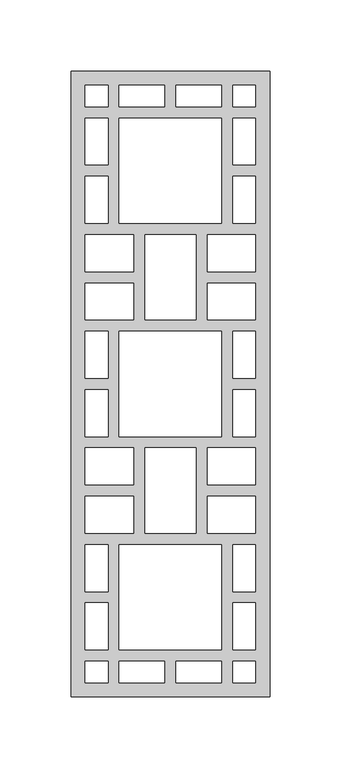
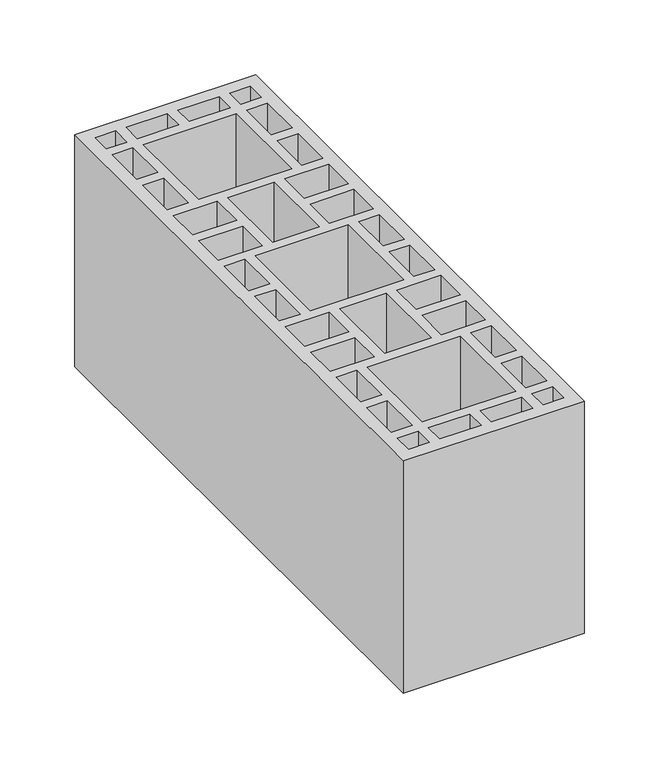
"""IFC4 building model written with IfcOpenShell, lengths in millimetres: proxy geometry."""

from ifc_helpers import new_model, si_unit, origin, origin_with_axes, place, context, project, spatial, polyline, outline, extrude, source, transform, mapped, element, save


def generic_models_60f23884(model_context):
    return source(origin(), model_context, "Body", "SweptSolid", [
        extrude(outline(polyline([(140.0, 0.0), (0.0, 0.0), (0.0, 440.0), (140.0, 440.0), (140.0, 0.0)]), holes=[polyline([(114.0, 10.0), (130.0, 10.0), (130.0, 25.0), (114.0, 25.0), (114.0, 10.0)]), polyline([(106.0, 33.0), (106.0, 107.0), (34.0, 107.0), (34.0, 33.0), (106.0, 33.0)]), polyline([(130.0, 74.0), (130.0, 107.0), (114.0, 107.0), (114.0, 74.0), (130.0, 74.0)]), polyline([(114.0, 66.0), (114.0, 33.0), (130.0, 33.0), (130.0, 66.0), (114.0, 66.0)]), polyline([(26.0, 10.0), (26.0, 25.0), (10.0, 25.0), (10.0, 10.0), (26.0, 10.0)]), polyline([(10.0, 74.0), (26.0, 74.0), (26.0, 107.0), (10.0, 107.0), (10.0, 74.0)]), polyline([(26.0, 66.0), (10.0, 66.0), (10.0, 33.0), (26.0, 33.0), (26.0, 66.0)]), polyline([(34.0, 25.0), (34.0, 10.0), (66.0, 10.0), (66.0, 25.0), (34.0, 25.0)]), polyline([(106.0, 25.0), (74.0, 25.0), (74.0, 10.0), (106.0, 10.0), (106.0, 25.0)]), polyline([(114.0, 430.0), (114.0, 415.0), (130.0, 415.0), (130.0, 430.0), (114.0, 430.0)]), polyline([(106.0, 407.0), (34.0, 407.0), (34.0, 333.0), (106.0, 333.0), (106.0, 407.0)]), polyline([(130.0, 366.0), (114.0, 366.0), (114.0, 333.0), (130.0, 333.0), (130.0, 366.0)]), polyline([(114.0, 374.0), (130.0, 374.0), (130.0, 407.0), (114.0, 407.0), (114.0, 374.0)]), polyline([(26.0, 430.0), (10.0, 430.0), (10.0, 415.0), (26.0, 415.0), (26.0, 430.0)]), polyline([(10.0, 366.0), (10.0, 333.0), (26.0, 333.0), (26.0, 366.0), (10.0, 366.0)]), polyline([(26.0, 374.0), (26.0, 407.0), (10.0, 407.0), (10.0, 374.0), (26.0, 374.0)]), polyline([(34.0, 415.0), (66.0, 415.0), (66.0, 430.0), (34.0, 430.0), (34.0, 415.0)]), polyline([(106.0, 415.0), (106.0, 430.0), (74.0, 430.0), (74.0, 415.0), (106.0, 415.0)]), polyline([(88.0, 115.0), (88.0, 175.0), (52.0, 175.0), (52.0, 115.0), (88.0, 115.0)]), polyline([(96.0, 115.0), (130.0, 115.0), (130.0, 141.0), (96.0, 141.0), (96.0, 115.0)]), polyline([(96.0, 175.0), (96.0, 149.0), (130.0, 149.0), (130.0, 175.0), (96.0, 175.0)]), polyline([(44.0, 115.0), (44.0, 141.0), (10.0, 141.0), (10.0, 115.0), (44.0, 115.0)]), polyline([(44.0, 175.0), (10.0, 175.0), (10.0, 149.0), (44.0, 149.0), (44.0, 175.0)]), polyline([(88.0, 325.0), (52.0, 325.0), (52.0, 265.0), (88.0, 265.0), (88.0, 325.0)]), polyline([(96.0, 325.0), (96.0, 299.0), (130.0, 299.0), (130.0, 325.0), (96.0, 325.0)]), polyline([(96.0, 265.0), (130.0, 265.0), (130.0, 291.0), (96.0, 291.0), (96.0, 265.0)]), polyline([(44.0, 325.0), (10.0, 325.0), (10.0, 299.0), (44.0, 299.0), (44.0, 325.0)]), polyline([(44.0, 265.0), (44.0, 291.0), (10.0, 291.0), (10.0, 265.0), (44.0, 265.0)]), polyline([(106.0, 257.0), (34.0, 257.0), (34.0, 183.0), (106.0, 183.0), (106.0, 257.0)]), polyline([(130.0, 224.0), (130.0, 257.0), (114.0, 257.0), (114.0, 224.0), (130.0, 224.0)]), polyline([(130.0, 216.0), (114.0, 216.0), (114.0, 183.0), (130.0, 183.0), (130.0, 216.0)]), polyline([(10.0, 224.0), (26.0, 224.0), (26.0, 257.0), (10.0, 257.0), (10.0, 224.0)]), polyline([(10.0, 216.0), (10.0, 183.0), (26.0, 183.0), (26.0, 216.0), (10.0, 216.0)])]), origin_with_axes(), (0.0, 0.0, 1.0), 190.0),
    ])


if __name__ == "__main__":
    model = new_model("IFC4")
    model_context = context("Model", 3, world=origin())
    ifc_project = project(units=[si_unit("LENGTHUNIT", "METRE", prefix="MILLI")], contexts=[model_context])
    site = spatial("IfcSite", under=ifc_project)
    building = spatial("IfcBuilding", under=site)
    placement = place(None, origin())
    generic_models_shape = generic_models_60f23884(model_context)
    element("IfcBuildingElementProxy", 1, Name="Generic Models", at=placement, inside=building, context=model_context, shape_type="MappedRepresentation", body=[
        mapped(generic_models_shape, transform((0.0, 0.0, 0.0), x_axis=(1.0, 0.0, 0.0), y_axis=(0.0, 1.0, 0.0), z_axis=(0.0, 0.0, 1.0))),
    ])
    save(model, "model.ifc")
